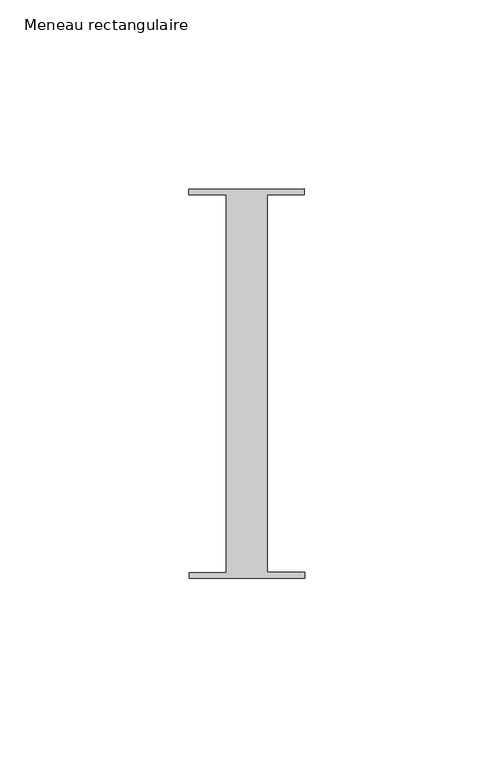
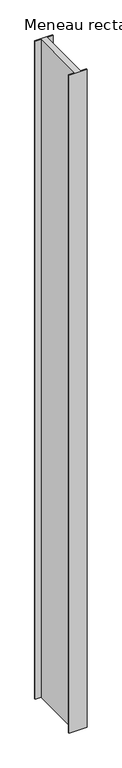
"""IFC4 building model written with IfcOpenShell, lengths in millimetres: member geometry, Meneau rectangulaire."""

from ifc_helpers import new_model, si_unit, frame, origin, place, context, project, spatial, polyline, outline, extrude, source, transform, mapped, element, save


def meneau_rectangulaire_ce6994cc(model_context):
    return source(origin(), model_context, "Body", "SweptSolid", [
        extrude(outline(polyline([(15.1919193, 51.5152664), (15.1934333, 50.0054494), (5.4028486, 50.0054494), (5.4028486, -49.9846825), (15.2937013, -49.9846825), (15.2952055, -51.4846817), (-15.2047792, -51.5152664), (-15.2062834, -50.0152672), (-5.4194144, -50.0152672), (-5.4194144, 49.9942223), (-15.3065707, 49.9942223), (-15.3080653, 51.4846817), (15.1919193, 51.5152664)])), frame((0.0, 0.0, -1200.0000003), z_axis=(0.0, 0.0, 1.0), x_axis=(1.0, 0.0, 0.0)), (0.0, 0.0, 1.0), 1200.0000003),
    ])


if __name__ == "__main__":
    model = new_model("IFC4")
    model_context = context("Model", 3, world=origin())
    ifc_project = project(units=[si_unit("LENGTHUNIT", "METRE", prefix="MILLI")], contexts=[model_context])
    site = spatial("IfcSite", under=ifc_project)
    building = spatial("IfcBuilding", under=site)
    placement = place(None, origin())
    meneau_rectangulaire_shape = meneau_rectangulaire_ce6994cc(model_context)
    element("IfcMember", 1, ObjectType="Meneau rectangulaire", at=placement, inside=building, context=model_context, shape_type="MappedRepresentation", body=[
        mapped(meneau_rectangulaire_shape, transform((0.0, 0.0, 0.0), x_axis=(1.0, 0.0, 0.0), y_axis=(0.0, 1.0, 0.0), z_axis=(0.0, 0.0, 1.0))),
    ])
    save(model, "model.ifc")
